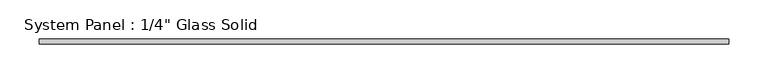
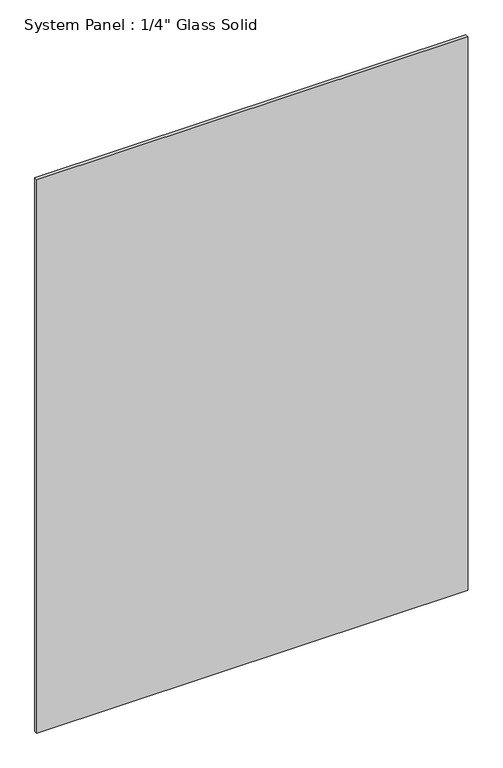
"""IFC4 building model written with IfcOpenShell, lengths in millimetres: plate geometry."""

from ifc_helpers import new_model, si_unit, origin, origin_with_axes, place, context, project, spatial, polyline, outline, extrude, source, transform, mapped, element, save


def plate_5a356e81(model_context):
    return source(origin(), model_context, "Body", "SweptSolid", [
        extrude(outline(polyline([(436.5633852, -3.175), (-436.5633852, -3.175), (-436.5633852, 3.175), (436.5633852, 3.175), (436.5633852, -3.175)])), origin_with_axes(), (0.0, 0.0, 1.0), 1183.8469027),
    ])


if __name__ == "__main__":
    model = new_model("IFC4")
    model_context = context("Model", 3, world=origin())
    ifc_project = project(units=[si_unit("LENGTHUNIT", "METRE", prefix="MILLI")], contexts=[model_context])
    site = spatial("IfcSite", under=ifc_project)
    building = spatial("IfcBuilding", under=site)
    placement = place(None, origin())
    plate_shape = plate_5a356e81(model_context)
    element("IfcPlate", 1, ObjectType="System Panel : 1/4\" Glass Solid", at=placement, inside=building, context=model_context, shape_type="MappedRepresentation", body=[
        mapped(plate_shape, transform((0.0, 0.0, 0.0), x_axis=(1.0, 0.0, 0.0), y_axis=(0.0, 1.0, 0.0), z_axis=(0.0, 0.0, 1.0))),
    ])
    save(model, "model.ifc")
